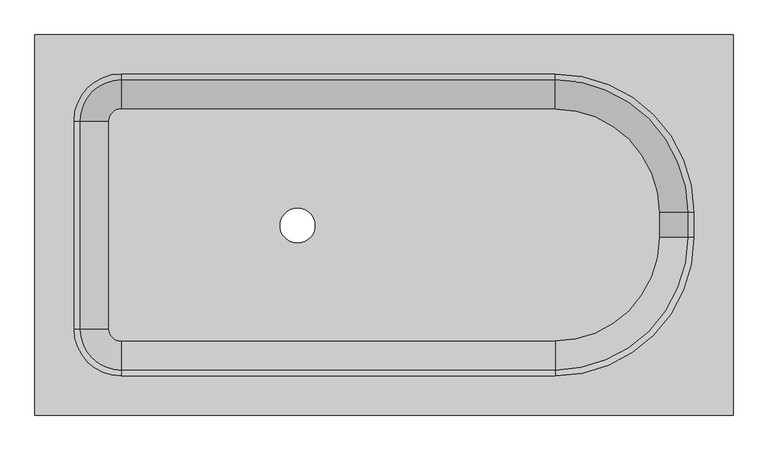
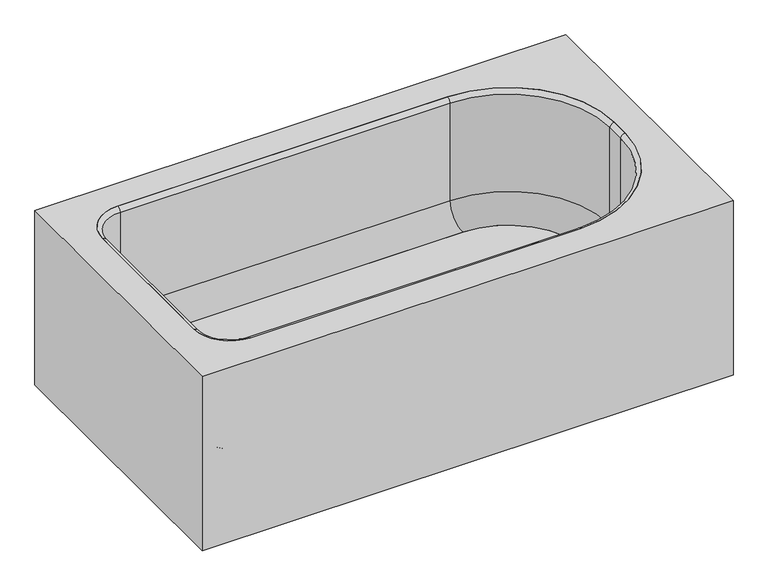
"""IFC4 building model written with IfcOpenShell, lengths in millimetres: flow terminal geometry."""

from ifc_helpers import new_model, si_unit, point, frame, frame_2d, origin, place, context, project, spatial, polyline, circle_curve, ellipse_curve, trimmed, segment, composite_curve, outline, extrude, source, transform, mapped, element, save
from ifc_brep_helpers import plane_surface, cylinder_surface, revolved_surface, advanced_brep


def flow_terminal_d29f2971(model_context):
    return source(origin(), model_context, "Body", "SolidModel", [
        advanced_brep(
        [(329.3970313, 832.5, 500.0), (-1110.6029687, 832.5, 500.0), (-1110.6029687, 47.5, 500.0), (329.3970313, 47.5, 500.0), (-932.8029687, 128.3035259, 500.0), (-1029.7994428, 225.3, 500.0), (-1029.7994428, 654.7, 500.0), (-932.8029687, 751.6964741, 500.0), (-37.7029687, 751.6964741, 500.0), (248.5935054, 465.4, 500.0), (248.5935054, 414.6, 500.0), (-37.7029687, 128.3035259, 500.0), (310.3470313, 813.45, 480.95), (310.3470313, 66.55, 480.95), (-1091.5529687, 66.55, 480.95), (-1091.5529687, 813.45, 480.95), (-932.8029687, 128.3035259, 480.95), (-37.7029687, 128.3035259, 480.95), (248.5935054, 414.6, 480.95), (248.5935054, 465.4, 480.95), (-37.7029687, 751.6964741, 480.95), (-932.8029687, 751.6964741, 480.95), (-1029.7994428, 654.7, 480.95), (-1029.7994428, 225.3, 480.95), (329.3970313, 832.5, 0.0), (-1110.6029687, 832.5, 0.0), (-1110.6029687, 47.5, 0.0), (329.3970313, 47.5, 0.0), (310.3470313, 813.45, 0.0), (-1091.5529687, 813.45, 0.0), (-1091.5529687, 66.55, 0.0), (310.3470313, 66.55, 0.0)],
        [
            (0, 1),
            (1, 2),
            (2, 3),
            (3, 0),
            (4, 5, circle_curve(frame((-932.8029687, 225.3, 500.0), z_axis=(0.0, 0.0, -1.0), x_axis=(0.0, 1.0, 0.0)), 96.9964741)),
            (5, 6),
            (6, 7, circle_curve(frame((-932.8029687, 654.7, 500.0), z_axis=(0.0, 0.0, -1.0), x_axis=(0.0, 1.0, 0.0)), 96.9964741)),
            (7, 8),
            (8, 9, circle_curve(frame((-37.7029687, 465.4, 500.0), z_axis=(0.0, 0.0, -1.0), x_axis=(0.0, 1.0, 0.0)), 286.2964741)),
            (9, 10),
            (10, 11, circle_curve(frame((-37.7029687, 414.6, 500.0), z_axis=(0.0, 0.0, -1.0), x_axis=(0.0, 1.0, 0.0)), 286.2964741)),
            (11, 4),
            (12, 13),
            (13, 14),
            (14, 15),
            (15, 12),
            (16, 17),
            (17, 18, circle_curve(frame((-37.7029687, 414.6, 480.95), z_axis=(0.0, 0.0, 1.0), x_axis=(0.0, 1.0, 0.0)), 286.2964741)),
            (18, 19),
            (19, 20, circle_curve(frame((-37.7029687, 465.4, 480.95), z_axis=(0.0, 0.0, 1.0), x_axis=(0.0, 1.0, 0.0)), 286.2964741)),
            (20, 21),
            (21, 22, circle_curve(frame((-932.8029687, 654.7, 480.95), z_axis=(0.0, 0.0, 1.0), x_axis=(0.0, 1.0, 0.0)), 96.9964741)),
            (22, 23),
            (23, 16, circle_curve(frame((-932.8029687, 225.3, 480.95), z_axis=(0.0, 0.0, 1.0), x_axis=(0.0, 1.0, 0.0)), 96.9964741)),
            (0, 24),
            (24, 25),
            (25, 1),
            (25, 26),
            (26, 2),
            (26, 27),
            (27, 3),
            (27, 24),
            (28, 29),
            (29, 30),
            (30, 31),
            (31, 28),
            (31, 13),
            (12, 28),
            (30, 14),
            (29, 15),
            (4, 16),
            (23, 5),
            (22, 6),
            (21, 7),
            (20, 8),
            (19, 9),
            (18, 10),
            (17, 11),
        ],
        [
            plane_surface(frame((-1110.6029687, 832.5, 500.0), z_axis=(0.0, 0.0, 1.0), x_axis=(-1.0, 0.0, 0.0))),
            plane_surface(frame((-1110.6029687, 832.5, 480.95), z_axis=(0.0, 0.0, -1.0), x_axis=(1.0, 0.0, 0.0))),
            plane_surface(frame((329.3970313, 832.5, 500.0), z_axis=(0.0, 1.0, 0.0), x_axis=(0.0, 0.0, -1.0))),
            plane_surface(frame((-1110.6029687, 832.5, 500.0), z_axis=(-1.0, 0.0, 0.0), x_axis=(0.0, 0.0, -1.0))),
            plane_surface(frame((-1110.6029687, 47.5, 500.0), z_axis=(0.0, -1.0, 0.0), x_axis=(0.0, 0.0, -1.0))),
            plane_surface(frame((329.3970313, 47.5, 500.0), z_axis=(1.0, 0.0, 0.0), x_axis=(0.0, 0.0, -1.0))),
            plane_surface(frame((-1110.6029687, 832.5, 0.0), z_axis=(0.0, 0.0, -1.0), x_axis=(1.0, 0.0, 0.0))),
            plane_surface(frame((310.3470313, 813.45, 480.95), z_axis=(-1.0, 0.0, 0.0), x_axis=(0.0, 0.0, -1.0))),
            plane_surface(frame((310.3470313, 66.55, 480.95), z_axis=(0.0, 1.0, 0.0), x_axis=(0.0, 0.0, -1.0))),
            plane_surface(frame((-1091.5529687, 66.55, 480.95), z_axis=(1.0, 0.0, 0.0), x_axis=(0.0, 0.0, -1.0))),
            plane_surface(frame((-1091.5529687, 813.45, 480.95), z_axis=(0.0, -1.0, 0.0), x_axis=(0.0, 0.0, -1.0))),
            revolved_surface(polyline([(-932.8029687, 322.2964741, 480.95), (-932.8029687, 322.2964741, 500.0)]), (-932.8029687, 225.3, 500.0), (0.0, 0.0, -1.0)),
            plane_surface(frame((-1029.7994428, 225.3, 500.0), z_axis=(1.0, 0.0, 0.0), x_axis=(0.0, 0.0, -1.0))),
            revolved_surface(polyline([(-932.8029687, 751.6964741, 480.95), (-932.8029687, 751.6964741, 500.0)]), (-932.8029687, 654.7, 500.0), (0.0, 0.0, -1.0)),
            plane_surface(frame((-932.8029687, 751.6964741, 500.0), z_axis=(0.0, -1.0, 0.0), x_axis=(0.0, 0.0, -1.0))),
            revolved_surface(polyline([(-37.7029687, 751.6964740999999, 480.95), (-37.7029687, 751.6964740999999, 500.0)]), (-37.7029687, 465.4, 500.0), (0.0, 0.0, -1.0)),
            plane_surface(frame((248.5935054, 465.4, 500.0), z_axis=(-1.0, 0.0, 0.0), x_axis=(0.0, 0.0, -1.0))),
            revolved_surface(polyline([(-37.7029687, 700.8964741, 480.95), (-37.7029687, 700.8964741, 500.0)]), (-37.7029687, 414.6, 500.0), (0.0, 0.0, -1.0)),
            plane_surface(frame((-37.7029687, 128.3035259, 500.0), z_axis=(0.0, 1.0, 0.0), x_axis=(0.0, 0.0, -1.0))),
        ],
        [
            (0, [[1, 2, 3, 4], [5, 6, 7, 8, 9, 10, 11, 12]]),
            (1, [[13, 14, 15, 16], [17, 18, 19, 20, 21, 22, 23, 24]]),
            (2, [[-1, 25, 26, 27]]),
            (3, [[-2, -27, 28, 29]]),
            (4, [[-3, -29, 30, 31]]),
            (5, [[-25, -4, -31, 32]]),
            (6, [[-32, -30, -28, -26], [33, 34, 35, 36]]),
            (7, [[-36, 37, -13, 38]]),
            (8, [[-35, 39, -14, -37]]),
            (9, [[-34, 40, -15, -39]]),
            (10, [[-33, -38, -16, -40]]),
            (11, [[-5, 41, -24, 42]]),
            (12, [[-6, -42, -23, 43]]),
            (13, [[-7, -43, -22, 44]]),
            (14, [[-8, -44, -21, 45]]),
            (15, [[-9, -45, -20, 46]]),
            (16, [[-10, -46, -19, 47]]),
            (17, [[-11, -47, -18, 48]]),
            (18, [[-12, -48, -17, -41]]),
        ],
    ),
        extrude(outline(composite_curve([segment(trimmed(circle_curve(frame_2d((-37.7029687, 465.4)), 214.2964741), [point((-37.7029687, 679.6964741))], [point((176.5935054, 465.4))], False, "CARTESIAN"), True, "CONTINUOUS"), segment(polyline([(176.5935054, 465.4), (176.5935054, 414.6)]), True, "CONTINUOUS"), segment(trimmed(circle_curve(frame_2d((-37.7029687, 414.6)), 214.2964741), [point((176.5935054, 414.6))], [point((-37.7029687, 200.3035259))], False, "CARTESIAN"), True, "CONTINUOUS"), segment(polyline([(-37.7029687, 200.3035259), (-932.8029687, 200.3035259)]), True, "CONTINUOUS"), segment(trimmed(circle_curve(frame_2d((-932.8029687, 225.3)), 24.9964741), [point((-932.8029687, 200.3035259))], [point((-957.7994428, 225.3))], False, "CARTESIAN"), True, "CONTINUOUS"), segment(polyline([(-957.7994428, 225.3), (-957.7994428, 654.7)]), True, "CONTINUOUS"), segment(trimmed(circle_curve(frame_2d((-932.8029687, 654.7)), 24.9964741), [point((-957.7994428, 654.7))], [point((-932.8029687, 679.6964741))], False, "CARTESIAN"), True, "CONTINUOUS"), segment(polyline([(-932.8029687, 679.6964741), (-37.7029687, 679.6964741)]), True, "CONTINUOUS")], self_intersect=False), holes=[composite_curve([segment(trimmed(circle_curve(frame_2d((-568.9573673, 438.8658572)), 36.0886057), [point((-568.9573673, 474.9544628))], [point((-568.9573673, 402.7772515))], True, "CARTESIAN"), True, "CONTINUOUS"), segment(trimmed(circle_curve(frame_2d((-568.9573673, 438.8658572)), 36.0886057), [point((-568.9573673, 402.7772515))], [point((-568.9573673, 474.9544628))], True, "CARTESIAN"), True, "CONTINUOUS")], self_intersect=False)]), frame((0.0, 0.0, 135.863573), z_axis=(0.0, 0.0, 1.0), x_axis=(1.0, 0.0, 0.0)), (0.0, 0.0, 1.0), 19.05),
        advanced_brep(
        [(-1017.7994428, 654.7, 210.0), (-932.8029687, 739.6964741, 210.0), (-932.8029687, 739.6964741, 488.8232535), (-1017.7994428, 654.7, 488.8232535), (-957.7994428, 654.7, 135.863573), (-932.8029687, 679.6964741, 135.863573), (-932.8029687, 679.6964741, 154.913573), (-957.7994428, 654.7, 154.913573), (-1029.7994428, 654.7, 500.0), (-932.8029687, 751.6964741, 500.0), (-932.8029687, 751.6964741, 210.0), (-1029.7994428, 654.7, 210.0), (-1017.7994428, 225.3, 488.8232535), (-1017.7994428, 225.3, 210.0), (-957.7994428, 225.3, 154.913573), (-957.7994428, 225.3, 135.863573), (-1029.7994428, 225.3, 210.0), (-1029.7994428, 225.3, 500.0), (-932.8029687, 140.3035259, 210.0), (-932.8029687, 140.3035259, 488.8232535), (-932.8029687, 200.3035259, 135.863573), (-932.8029687, 200.3035259, 154.913573), (-932.8029687, 128.3035259, 500.0), (-932.8029687, 128.3035259, 210.0), (-37.7029687, 140.3035259, 488.8232535), (-37.7029687, 140.3035259, 210.0), (-37.7029687, 200.3035259, 154.913573), (-37.7029687, 200.3035259, 135.863573), (-37.7029687, 128.3035259, 210.0), (-37.7029687, 128.3035259, 500.0), (236.5935054, 414.6, 210.0), (236.5935054, 414.6, 488.8232535), (176.5935054, 414.6, 135.863573), (176.5935054, 414.6, 154.913573), (248.5935054, 414.6, 500.0), (248.5935054, 414.6, 210.0), (236.5935054, 465.4, 488.8232535), (236.5935054, 465.4, 210.0), (176.5935054, 465.4, 154.913573), (176.5935054, 465.4, 135.863573), (248.5935054, 465.4, 210.0), (248.5935054, 465.4, 500.0), (-37.7029687, 739.6964741, 210.0), (-37.7029687, 739.6964741, 488.8232535), (-37.7029687, 679.6964741, 135.863573), (-37.7029687, 679.6964741, 154.913573), (-37.7029687, 751.6964741, 500.0), (-37.7029687, 751.6964741, 210.0)],
        [
            (0, 1, circle_curve(frame((-932.8029687, 654.7, 210.0), z_axis=(0.0, 0.0, -1.0), x_axis=(0.0, 1.0, 0.0)), 84.9964741)),
            (1, 2),
            (2, 3, circle_curve(frame((-932.8029687, 654.7, 488.8232535), z_axis=(0.0, 0.0, 1.0), x_axis=(0.0, 1.0, 0.0)), 84.9964741)),
            (3, 0),
            (4, 5, circle_curve(frame((-932.8029687, 654.7, 135.863573), z_axis=(0.0, 0.0, -1.0), x_axis=(0.0, 1.0, 0.0)), 24.9964741)),
            (5, 6),
            (6, 7, circle_curve(frame((-932.8029687, 654.7, 154.913573), z_axis=(0.0, 0.0, 1.0), x_axis=(0.0, 1.0, 0.0)), 24.9964741)),
            (7, 4),
            (8, 9, circle_curve(frame((-932.8029687, 654.7, 500.0), z_axis=(0.0, 0.0, -1.0), x_axis=(0.0, 1.0, 0.0)), 96.9964741)),
            (9, 10),
            (10, 11, circle_curve(frame((-932.8029687, 654.7, 210.0), z_axis=(0.0, 0.0, 1.0), x_axis=(0.0, 1.0, 0.0)), 96.9964741)),
            (11, 8),
            (3, 12),
            (12, 13),
            (13, 0),
            (7, 14),
            (14, 15),
            (15, 4),
            (11, 16),
            (16, 17),
            (17, 8),
            (18, 13, circle_curve(frame((-932.8029687, 225.3, 210.0), z_axis=(0.0, 0.0, -1.0), x_axis=(-1.0, 0.0, 0.0)), 84.9964741)),
            (12, 19, circle_curve(frame((-932.8029687, 225.3, 488.8232535), z_axis=(0.0, 0.0, 1.0), x_axis=(-1.0, 0.0, 0.0)), 84.9964741)),
            (19, 18),
            (20, 15, circle_curve(frame((-932.8029687, 225.3, 135.863573), z_axis=(0.0, 0.0, -1.0), x_axis=(-1.0, 0.0, 0.0)), 24.9964741)),
            (14, 21, circle_curve(frame((-932.8029687, 225.3, 154.913573), z_axis=(0.0, 0.0, 1.0), x_axis=(-1.0, 0.0, 0.0)), 24.9964741)),
            (21, 20),
            (22, 17, circle_curve(frame((-932.8029687, 225.3, 500.0), z_axis=(0.0, 0.0, -1.0), x_axis=(-1.0, 0.0, 0.0)), 96.9964741)),
            (16, 23, circle_curve(frame((-932.8029687, 225.3, 210.0), z_axis=(0.0, 0.0, 1.0), x_axis=(-1.0, 0.0, 0.0)), 96.9964741)),
            (23, 22),
            (19, 24),
            (24, 25),
            (25, 18),
            (21, 26),
            (26, 27),
            (27, 20),
            (23, 28),
            (28, 29),
            (29, 22),
            (30, 25, circle_curve(frame((-37.7029687, 414.6, 210.0), z_axis=(0.0, 0.0, -1.0), x_axis=(0.0, -1.0, 0.0)), 274.2964741)),
            (24, 31, circle_curve(frame((-37.7029687, 414.6, 488.8232535), z_axis=(0.0, 0.0, 1.0), x_axis=(0.0, -1.0, 0.0)), 274.2964741)),
            (31, 30),
            (32, 27, circle_curve(frame((-37.7029687, 414.6, 135.863573), z_axis=(0.0, 0.0, -1.0), x_axis=(0.0, -1.0, 0.0)), 214.2964741)),
            (26, 33, circle_curve(frame((-37.7029687, 414.6, 154.913573), z_axis=(0.0, 0.0, 1.0), x_axis=(0.0, -1.0, 0.0)), 214.2964741)),
            (33, 32),
            (34, 29, circle_curve(frame((-37.7029687, 414.6, 500.0), z_axis=(0.0, 0.0, -1.0), x_axis=(0.0, -1.0, 0.0)), 286.2964741)),
            (28, 35, circle_curve(frame((-37.7029687, 414.6, 210.0), z_axis=(0.0, 0.0, 1.0), x_axis=(0.0, -1.0, 0.0)), 286.2964741)),
            (35, 34),
            (31, 36),
            (36, 37),
            (37, 30),
            (33, 38),
            (38, 39),
            (39, 32),
            (35, 40),
            (40, 41),
            (41, 34),
            (42, 37, circle_curve(frame((-37.7029687, 465.4, 210.0), z_axis=(0.0, 0.0, -1.0), x_axis=(1.0, 0.0, 0.0)), 274.2964741)),
            (36, 43, circle_curve(frame((-37.7029687, 465.4, 488.8232535), z_axis=(0.0, 0.0, 1.0), x_axis=(1.0, 0.0, 0.0)), 274.2964741)),
            (43, 42),
            (44, 39, circle_curve(frame((-37.7029687, 465.4, 135.863573), z_axis=(0.0, 0.0, -1.0), x_axis=(1.0, 0.0, 0.0)), 214.2964741)),
            (38, 45, circle_curve(frame((-37.7029687, 465.4, 154.913573), z_axis=(0.0, 0.0, 1.0), x_axis=(1.0, 0.0, 0.0)), 214.2964741)),
            (45, 44),
            (46, 41, circle_curve(frame((-37.7029687, 465.4, 500.0), z_axis=(0.0, 0.0, -1.0), x_axis=(1.0, 0.0, 0.0)), 286.2964741)),
            (40, 47, circle_curve(frame((-37.7029687, 465.4, 210.0), z_axis=(0.0, 0.0, 1.0), x_axis=(1.0, 0.0, 0.0)), 286.2964741)),
            (47, 46),
            (43, 2),
            (1, 42),
            (45, 6),
            (5, 44),
            (47, 10),
            (9, 46),
            (6, 1, circle_curve(frame((-932.8029687, 684.4088538, 210.0), z_axis=(1.0, 0.0, 0.0), x_axis=(0.0, -1.0, 0.0)), 55.2876203)),
            (0, 7, circle_curve(frame((-962.5118225, 654.7, 210.0), z_axis=(0.0, -1.0, 0.0), x_axis=(1.0, 0.0, 0.0)), 55.2876203)),
            (10, 5, circle_curve(frame((-932.8029687, 677.5283505, 210.0), z_axis=(-1.0, 0.0, 0.0), x_axis=(0.0, -1.0, 0.0)), 74.1681236)),
            (4, 11, circle_curve(frame((-955.6313192, 654.7, 210.0), z_axis=(0.0, 1.0, 0.0), x_axis=(1.0, 0.0, 0.0)), 74.1681236)),
            (2, 9, circle_curve(frame((-932.8029687, 752.7950932, 486.7901397), z_axis=(-1.0, 0.0, 0.0), x_axis=(0.0, -1.0, 0.0)), 13.2554658)),
            (8, 3, circle_curve(frame((-1030.8980619, 654.7, 486.7901397), z_axis=(0.0, 1.0, 0.0), x_axis=(1.0, 0.0, 0.0)), 13.2554658)),
            (13, 14, circle_curve(frame((-962.5118225, 225.3, 210.0), z_axis=(0.0, -1.0, 0.0), x_axis=(1.0, 0.0, 0.0)), 55.2876203)),
            (15, 16, circle_curve(frame((-955.6313192, 225.3, 210.0), z_axis=(0.0, 1.0, 0.0), x_axis=(1.0, 0.0, 0.0)), 74.1681236)),
            (17, 12, circle_curve(frame((-1030.8980619, 225.3, 486.7901397), z_axis=(0.0, 1.0, 0.0), x_axis=(1.0, 0.0, 0.0)), 13.2554658)),
            (18, 21, circle_curve(frame((-932.8029687, 195.5911462, 210.0), z_axis=(1.0, 0.0, 0.0), x_axis=(0.0, 1.0, 0.0)), 55.2876203)),
            (20, 23, circle_curve(frame((-932.8029687, 202.4716495, 210.0), z_axis=(-1.0, 0.0, 0.0), x_axis=(0.0, 1.0, 0.0)), 74.1681236)),
            (22, 19, circle_curve(frame((-932.8029687, 127.2049068, 486.7901397), z_axis=(-1.0, 0.0, 0.0), x_axis=(0.0, 1.0, 0.0)), 13.2554658)),
            (25, 26, circle_curve(frame((-37.7029687, 195.5911462, 210.0), z_axis=(1.0, 0.0, 0.0), x_axis=(0.0, 1.0, 0.0)), 55.2876203)),
            (27, 28, circle_curve(frame((-37.7029687, 202.4716495, 210.0), z_axis=(-1.0, 0.0, 0.0), x_axis=(0.0, 1.0, 0.0)), 74.1681236)),
            (29, 24, circle_curve(frame((-37.7029687, 127.2049068, 486.7901397), z_axis=(-1.0, 0.0, 0.0), x_axis=(0.0, 1.0, 0.0)), 13.2554658)),
            (30, 33, circle_curve(frame((181.3058851, 414.6, 210.0), z_axis=(0.0, 1.0, 0.0), x_axis=(-1.0, 0.0, 0.0)), 55.2876203)),
            (32, 35, circle_curve(frame((174.4253818, 414.6, 210.0), z_axis=(0.0, -1.0, 0.0), x_axis=(-1.0, 0.0, 0.0)), 74.1681236)),
            (34, 31, circle_curve(frame((249.6921245, 414.6, 486.7901397), z_axis=(0.0, -1.0, 0.0), x_axis=(-1.0, 0.0, 0.0)), 13.2554658)),
            (37, 38, circle_curve(frame((181.3058851, 465.4, 210.0), z_axis=(0.0, 1.0, 0.0), x_axis=(-1.0, 0.0, 0.0)), 55.2876203)),
            (39, 40, circle_curve(frame((174.4253818, 465.4, 210.0), z_axis=(0.0, -1.0, 0.0), x_axis=(-1.0, 0.0, 0.0)), 74.1681236)),
            (41, 36, circle_curve(frame((249.6921245, 465.4, 486.7901397), z_axis=(0.0, -1.0, 0.0), x_axis=(-1.0, 0.0, 0.0)), 13.2554658)),
            (42, 45, circle_curve(frame((-37.7029687, 684.4088538, 210.0), z_axis=(-1.0, 0.0, 0.0), x_axis=(0.0, -1.0, 0.0)), 55.2876203)),
            (44, 47, circle_curve(frame((-37.7029687, 677.5283505, 210.0), z_axis=(1.0, 0.0, 0.0), x_axis=(0.0, -1.0, 0.0)), 74.1681236)),
            (46, 43, circle_curve(frame((-37.7029687, 752.7950932, 486.7901397), z_axis=(1.0, 0.0, 0.0), x_axis=(0.0, -1.0, 0.0)), 13.2554658)),
        ],
        [
            revolved_surface(polyline([(-932.8029687, 739.6964741, 488.8232535), (-932.8029687, 739.6964741, 210.0)]), (-932.8029687, 654.7, 500.0), (0.0, 0.0, 1.0)),
            revolved_surface(polyline([(-932.8029687, 679.6964741, 154.91357300000004), (-932.8029687, 679.6964741, 135.86357299999997)]), (-932.8029687, 654.7, 500.0), (0.0, 0.0, 1.0)),
            cylinder_surface(frame((-932.8029687, 654.7, 500.0), z_axis=(0.0, 0.0, 1.0), x_axis=(0.0, 1.0, 0.0)), 96.9964741),
            plane_surface(frame((-1017.7994428, 654.7, 488.8232535), z_axis=(1.0, 0.0, 0.0), x_axis=(0.0, -1.0, 0.0))),
            plane_surface(frame((-957.7994428, 654.7, 154.913573), z_axis=(1.0, 0.0, 0.0), x_axis=(0.0, -1.0, 0.0))),
            plane_surface(frame((-1029.7994428, 654.7, 210.0), z_axis=(-1.0, 0.0, 0.0), x_axis=(0.0, -1.0, 0.0))),
            revolved_surface(polyline([(-1017.7994428, 225.3, 488.8232535), (-1017.7994428, 225.3, 210.0)]), (-932.8029687, 225.3, 500.0), (0.0, 0.0, 1.0)),
            revolved_surface(polyline([(-957.7994428, 225.3, 154.91357300000004), (-957.7994428, 225.3, 135.86357299999997)]), (-932.8029687, 225.3, 500.0), (0.0, 0.0, 1.0)),
            cylinder_surface(frame((-932.8029687, 225.3, 500.0), z_axis=(0.0, 0.0, 1.0), x_axis=(-1.0, 0.0, 0.0)), 96.9964741),
            plane_surface(frame((-932.8029687, 140.3035259, 488.8232535), z_axis=(0.0, 1.0, 0.0), x_axis=(1.0, 0.0, 0.0))),
            plane_surface(frame((-932.8029687, 200.3035259, 154.913573), z_axis=(0.0, 1.0, 0.0), x_axis=(1.0, 0.0, 0.0))),
            plane_surface(frame((-932.8029687, 128.3035259, 210.0), z_axis=(0.0, -1.0, 0.0), x_axis=(1.0, 0.0, 0.0))),
            revolved_surface(polyline([(-37.7029687, 140.3035259, 488.8232535), (-37.7029687, 140.3035259, 210.0)]), (-37.7029687, 414.6, 500.0), (0.0, 0.0, 1.0)),
            revolved_surface(polyline([(-37.7029687, 200.3035259, 154.91357300000004), (-37.7029687, 200.3035259, 135.86357299999997)]), (-37.7029687, 414.6, 500.0), (0.0, 0.0, 1.0)),
            cylinder_surface(frame((-37.7029687, 414.6, 500.0), z_axis=(0.0, 0.0, 1.0), x_axis=(0.0, -1.0, 0.0)), 286.2964741),
            plane_surface(frame((236.5935054, 414.6, 488.8232535), z_axis=(-1.0, 0.0, 0.0), x_axis=(0.0, 1.0, 0.0))),
            plane_surface(frame((176.5935054, 414.6, 154.913573), z_axis=(-1.0, 0.0, 0.0), x_axis=(0.0, 1.0, 0.0))),
            plane_surface(frame((248.5935054, 414.6, 210.0), z_axis=(1.0, 0.0, 0.0), x_axis=(0.0, 1.0, 0.0))),
            revolved_surface(polyline([(236.59350540000003, 465.4, 488.8232535), (236.59350540000003, 465.4, 210.0)]), (-37.7029687, 465.4, 500.0), (0.0, 0.0, 1.0)),
            revolved_surface(polyline([(176.59350540000003, 465.4, 154.91357300000004), (176.59350540000003, 465.4, 135.86357299999997)]), (-37.7029687, 465.4, 500.0), (0.0, 0.0, 1.0)),
            cylinder_surface(frame((-37.7029687, 465.4, 500.0), z_axis=(0.0, 0.0, 1.0), x_axis=(1.0, 0.0, 0.0)), 286.2964741),
            plane_surface(frame((-37.7029687, 739.6964741, 488.8232535), z_axis=(0.0, -1.0, 0.0), x_axis=(-1.0, 0.0, 0.0))),
            plane_surface(frame((-37.7029687, 679.6964741, 154.913573), z_axis=(0.0, -1.0, 0.0), x_axis=(-1.0, 0.0, 0.0))),
            plane_surface(frame((-37.7029687, 751.6964741, 210.0), z_axis=(0.0, 1.0, 0.0), x_axis=(-1.0, 0.0, 0.0))),
            revolved_surface(trimmed(ellipse_curve(frame((-932.8029687, 684.4088538, 210.0), z_axis=(-1.0, 0.0, 0.0), x_axis=(0.0, -1.0, 0.0)), 55.2876203, 55.2876203), [point((-932.8029687, 739.6964741, 210.0))], [point((-932.8029687, 679.6964741, 154.913573))], True, "CARTESIAN"), (-932.8029687, 654.7, 500.0), (0.0, 0.0, 1.0)),
            revolved_surface(trimmed(ellipse_curve(frame((-932.8029687, 677.5283505, 210.0), z_axis=(1.0, 0.0, 0.0), x_axis=(0.0, -1.0, 0.0)), 74.1681236, 74.1681236), [point((-932.8029687, 679.6964741, 135.863573))], [point((-932.8029687, 751.6964741, 210.0))], True, "CARTESIAN"), (-932.8029687, 654.7, 500.0), (0.0, 0.0, 1.0)),
            revolved_surface(trimmed(ellipse_curve(frame((-932.8029687, 752.7950932, 486.7901397), z_axis=(1.0, 0.0, 0.0), x_axis=(0.0, -1.0, 0.0)), 13.2554658, 13.2554658), [point((-932.8029687, 751.6964741, 500.0))], [point((-932.8029687, 739.6964741, 488.8232535))], True, "CARTESIAN"), (-932.8029687, 654.7, 500.0), (0.0, 0.0, 1.0)),
            revolved_surface(polyline([(-907.2242022, 225.3, 210.0), (-907.2242022, 654.7, 210.0)]), (-962.5118225, 654.7, 210.0), (0.0, -1.0, 0.0)),
            cylinder_surface(frame((-955.6313192, 654.7, 210.0), z_axis=(0.0, 1.0, 0.0), x_axis=(1.0, 0.0, 0.0)), 74.1681236),
            cylinder_surface(frame((-1030.8980619, 654.7, 486.7901397), z_axis=(0.0, 1.0, 0.0), x_axis=(1.0, 0.0, 0.0)), 13.2554658),
            revolved_surface(trimmed(ellipse_curve(frame((-962.5118225, 225.3, 210.0), z_axis=(0.0, -1.0, 0.0), x_axis=(1.0, 0.0, 0.0)), 55.2876203, 55.2876203), [point((-1017.7994428, 225.3, 210.0))], [point((-957.7994428, 225.3, 154.913573))], True, "CARTESIAN"), (-932.8029687, 225.3, 500.0), (0.0, 0.0, 1.0)),
            revolved_surface(trimmed(ellipse_curve(frame((-955.6313192, 225.3, 210.0), z_axis=(0.0, 1.0, 0.0), x_axis=(1.0, 0.0, 0.0)), 74.1681236, 74.1681236), [point((-957.7994428, 225.3, 135.863573))], [point((-1029.7994428, 225.3, 210.0))], True, "CARTESIAN"), (-932.8029687, 225.3, 500.0), (0.0, 0.0, 1.0)),
            revolved_surface(trimmed(ellipse_curve(frame((-1030.8980619, 225.3, 486.7901397), z_axis=(0.0, 1.0, 0.0), x_axis=(1.0, 0.0, 0.0)), 13.2554658, 13.2554658), [point((-1029.7994428, 225.3, 500.0))], [point((-1017.7994428, 225.3, 488.8232535))], True, "CARTESIAN"), (-932.8029687, 225.3, 500.0), (0.0, 0.0, 1.0)),
            revolved_surface(polyline([(-37.70296870000004, 250.87876649999998, 210.0), (-932.8029687, 250.87876649999998, 210.0)]), (-932.8029687, 195.5911462, 210.0), (1.0, 0.0, 0.0)),
            cylinder_surface(frame((-932.8029687, 202.4716495, 210.0), z_axis=(-1.0, 0.0, 0.0), x_axis=(0.0, 1.0, 0.0)), 74.1681236),
            cylinder_surface(frame((-932.8029687, 127.2049068, 486.7901397), z_axis=(-1.0, 0.0, 0.0), x_axis=(0.0, 1.0, 0.0)), 13.2554658),
            revolved_surface(trimmed(ellipse_curve(frame((-37.7029687, 195.5911462, 210.0), z_axis=(1.0, 0.0, 0.0), x_axis=(0.0, 1.0, 0.0)), 55.2876203, 55.2876203), [point((-37.7029687, 140.3035259, 210.0))], [point((-37.7029687, 200.3035259, 154.913573))], True, "CARTESIAN"), (-37.7029687, 414.6, 500.0), (0.0, 0.0, 1.0)),
            revolved_surface(trimmed(ellipse_curve(frame((-37.7029687, 202.4716495, 210.0), z_axis=(-1.0, 0.0, 0.0), x_axis=(0.0, 1.0, 0.0)), 74.1681236, 74.1681236), [point((-37.7029687, 200.3035259, 135.863573))], [point((-37.7029687, 128.3035259, 210.0))], True, "CARTESIAN"), (-37.7029687, 414.6, 500.0), (0.0, 0.0, 1.0)),
            revolved_surface(trimmed(ellipse_curve(frame((-37.7029687, 127.2049068, 486.7901397), z_axis=(-1.0, 0.0, 0.0), x_axis=(0.0, 1.0, 0.0)), 13.2554658, 13.2554658), [point((-37.7029687, 128.3035259, 500.0))], [point((-37.7029687, 140.3035259, 488.8232535))], True, "CARTESIAN"), (-37.7029687, 414.6, 500.0), (0.0, 0.0, 1.0)),
            revolved_surface(polyline([(126.01826480000001, 465.4, 210.0), (126.01826480000001, 414.6, 210.0)]), (181.3058851, 414.6, 210.0), (0.0, 1.0, 0.0)),
            cylinder_surface(frame((174.4253818, 414.6, 210.0), z_axis=(0.0, -1.0, 0.0), x_axis=(-1.0, 0.0, 0.0)), 74.1681236),
            cylinder_surface(frame((249.6921245, 414.6, 486.7901397), z_axis=(0.0, -1.0, 0.0), x_axis=(-1.0, 0.0, 0.0)), 13.2554658),
            revolved_surface(trimmed(ellipse_curve(frame((181.3058851, 465.4, 210.0), z_axis=(0.0, 1.0, 0.0), x_axis=(-1.0, 0.0, 0.0)), 55.2876203, 55.2876203), [point((236.5935054, 465.4, 210.0))], [point((176.5935054, 465.4, 154.913573))], True, "CARTESIAN"), (-37.7029687, 465.4, 500.0), (0.0, 0.0, 1.0)),
            revolved_surface(trimmed(ellipse_curve(frame((174.4253818, 465.4, 210.0), z_axis=(0.0, -1.0, 0.0), x_axis=(-1.0, 0.0, 0.0)), 74.1681236, 74.1681236), [point((176.5935054, 465.4, 135.863573))], [point((248.5935054, 465.4, 210.0))], True, "CARTESIAN"), (-37.7029687, 465.4, 500.0), (0.0, 0.0, 1.0)),
            revolved_surface(trimmed(ellipse_curve(frame((249.6921245, 465.4, 486.7901397), z_axis=(0.0, -1.0, 0.0), x_axis=(-1.0, 0.0, 0.0)), 13.2554658, 13.2554658), [point((248.5935054, 465.4, 500.0))], [point((236.5935054, 465.4, 488.8232535))], True, "CARTESIAN"), (-37.7029687, 465.4, 500.0), (0.0, 0.0, 1.0)),
            revolved_surface(polyline([(-932.8029687, 629.1212335, 210.0), (-37.7029687, 629.1212335, 210.0)]), (-37.7029687, 684.4088538, 210.0), (-1.0, 0.0, 0.0)),
            cylinder_surface(frame((-37.7029687, 677.5283505, 210.0), z_axis=(1.0, 0.0, 0.0), x_axis=(0.0, -1.0, 0.0)), 74.1681236),
            cylinder_surface(frame((-37.7029687, 752.7950932, 486.7901397), z_axis=(1.0, 0.0, 0.0), x_axis=(0.0, -1.0, 0.0)), 13.2554658),
        ],
        [
            (0, [[1, 2, 3, 4]]),
            (1, [[5, 6, 7, 8]]),
            (2, [[9, 10, 11, 12]]),
            (3, [[-4, 13, 14, 15]]),
            (4, [[-8, 16, 17, 18]]),
            (5, [[-12, 19, 20, 21]]),
            (6, [[22, -14, 23, 24]]),
            (7, [[25, -17, 26, 27]]),
            (8, [[28, -20, 29, 30]]),
            (9, [[-24, 31, 32, 33]]),
            (10, [[-27, 34, 35, 36]]),
            (11, [[-30, 37, 38, 39]]),
            (12, [[40, -32, 41, 42]]),
            (13, [[43, -35, 44, 45]]),
            (14, [[46, -38, 47, 48]]),
            (15, [[-42, 49, 50, 51]]),
            (16, [[-45, 52, 53, 54]]),
            (17, [[-48, 55, 56, 57]]),
            (18, [[58, -50, 59, 60]]),
            (19, [[61, -53, 62, 63]]),
            (20, [[64, -56, 65, 66]]),
            (21, [[-60, 67, -2, 68]]),
            (22, [[-63, 69, -6, 70]]),
            (23, [[-66, 71, -10, 72]]),
            (24, [[-7, 73, -1, 74]]),
            (25, [[-11, 75, -5, 76]]),
            (26, [[-3, 77, -9, 78]]),
            (27, [[-74, -15, 79, -16]]),
            (28, [[-76, -18, 80, -19]]),
            (29, [[-78, -21, 81, -13]]),
            (30, [[-26, -79, -22, 82]]),
            (31, [[-29, -80, -25, 83]]),
            (32, [[-23, -81, -28, 84]]),
            (33, [[-82, -33, 85, -34]]),
            (34, [[-83, -36, 86, -37]]),
            (35, [[-84, -39, 87, -31]]),
            (36, [[-44, -85, -40, 88]]),
            (37, [[-47, -86, -43, 89]]),
            (38, [[-41, -87, -46, 90]]),
            (39, [[-88, -51, 91, -52]]),
            (40, [[-89, -54, 92, -55]]),
            (41, [[-90, -57, 93, -49]]),
            (42, [[-62, -91, -58, 94]]),
            (43, [[-65, -92, -61, 95]]),
            (44, [[-59, -93, -64, 96]]),
            (45, [[-94, -68, -73, -69]]),
            (46, [[-95, -70, -75, -71]]),
            (47, [[-96, -72, -77, -67]]),
        ],
    ),
    ])


if __name__ == "__main__":
    model = new_model("IFC4")
    model_context = context("Model", 3, world=origin())
    ifc_project = project(units=[si_unit("LENGTHUNIT", "METRE", prefix="MILLI")], contexts=[model_context])
    site = spatial("IfcSite", under=ifc_project)
    building = spatial("IfcBuilding", under=site)
    placement = place(None, origin())
    flow_terminal_shape = flow_terminal_d29f2971(model_context)
    element("IfcFlowTerminal", 1, at=placement, inside=building, context=model_context, shape_type="MappedRepresentation", body=[
        mapped(flow_terminal_shape, transform((0.0, 0.0, 0.0), x_axis=(1.0, 0.0, 0.0), y_axis=(0.0, 1.0, 0.0), z_axis=(0.0, 0.0, 1.0))),
    ])
    save(model, "model.ifc")
